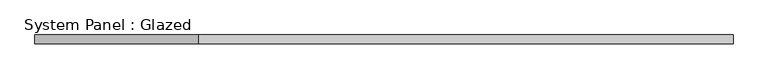
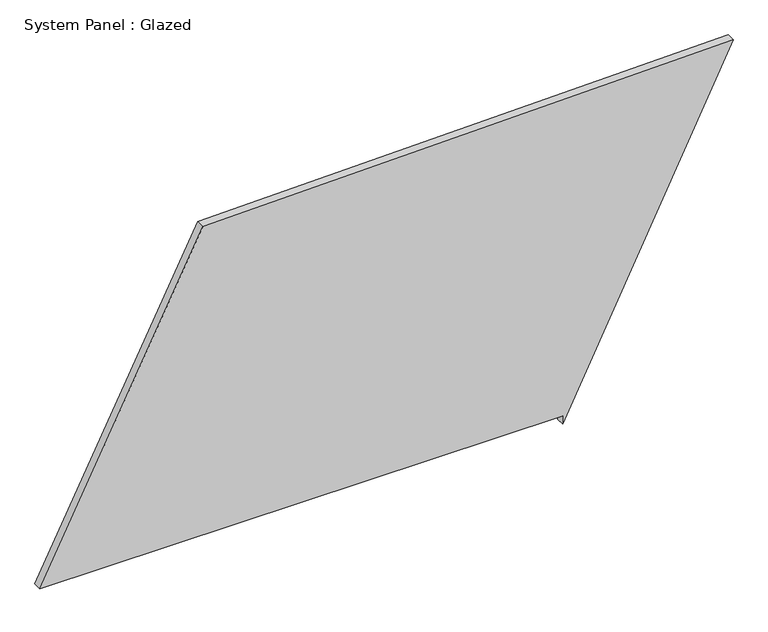
"""IFC4 building model written with IfcOpenShell, lengths in millimetres: plate geometry, System Panel : Glazed."""

from ifc_helpers import new_model, si_unit, frame, origin, place, context, project, spatial, polyline, outline, extrude, source, transform, mapped, element, save


def system_panel_glazed_10b67cbd(model_context):
    return source(origin(), model_context, "Body", "SweptSolid", [
        extrude(outline(polyline([(25.0, 507.4771752), (0.0, 507.4771752), (1000.0036347, 999.1091194), (965.1650263, -529.8805698), (25.0, -999.1091194), (25.0, 507.4771752)])), frame((0.0, -49.5, 0.0), z_axis=(0.0, 1.0, 0.0), x_axis=(0.0, 0.0, 1.0)), (0.0, 0.0, 1.0), 25.0),
    ])


if __name__ == "__main__":
    model = new_model("IFC4")
    model_context = context("Model", 3, world=origin())
    ifc_project = project(units=[si_unit("LENGTHUNIT", "METRE", prefix="MILLI")], contexts=[model_context])
    site = spatial("IfcSite", under=ifc_project)
    building = spatial("IfcBuilding", under=site)
    placement = place(None, origin())
    system_panel_glazed_shape = system_panel_glazed_10b67cbd(model_context)
    element("IfcPlate", 1, ObjectType="System Panel : Glazed", at=placement, inside=building, context=model_context, shape_type="MappedRepresentation", body=[
        mapped(system_panel_glazed_shape, transform((0.0, 0.0, 0.0), x_axis=(1.0, 0.0, 0.0), y_axis=(0.0, 1.0, 0.0), z_axis=(0.0, 0.0, 1.0))),
    ])
    save(model, "model.ifc")
